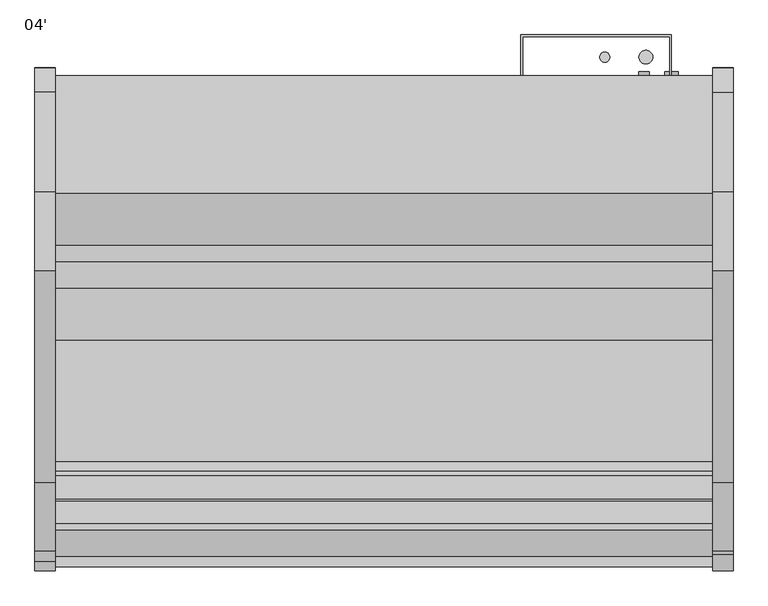
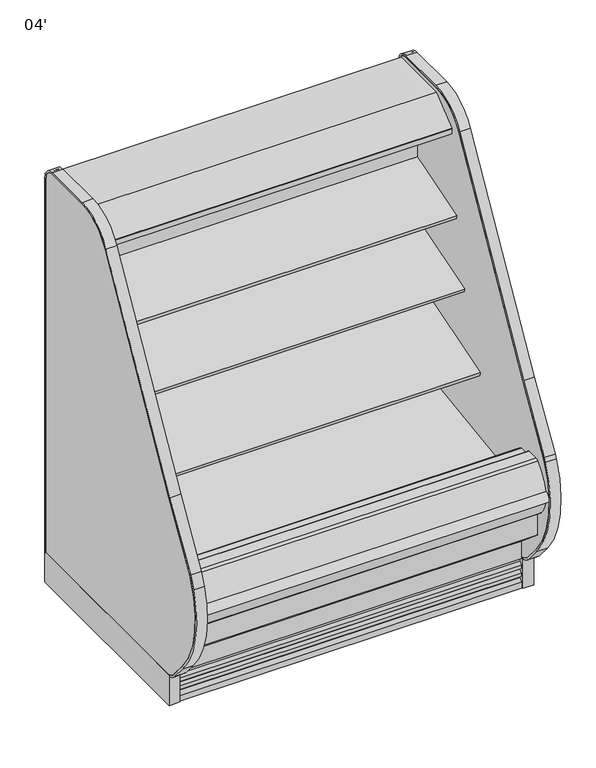
"""IFC4 building model written with IfcOpenShell, lengths in millimetres: proxy geometry, 04'."""

from ifc_helpers import new_model, si_unit, point, frame, frame_2d, origin, origin_with_axes, place, context, project, spatial, polyline, circle_curve, trimmed, segment, composite_curve, outline, extrude, source, transform, mapped, element, save
from ifc_brep_helpers import plane_surface, cylinder_surface, revolved_surface, advanced_brep


def proxy_04_a1edc014(model_context):
    return source(origin(), model_context, "Body", "SolidModel", [
        extrude(outline(composite_curve([segment(polyline([(-514.5091341, 1461.7730838), (-504.8016201, 1464.7713787), (-504.5349155, 1463.9078752), (-503.4677443, 1463.9078752), (-503.4677443, 1370.1435435), (-528.7629585, 1366.5907473)]), True, "CONTINUOUS"), segment(trimmed(circle_curve(frame_2d((-528.9028414, 1368.1644225)), 1.57988), [point((-528.7629585, 1366.5907473))], [point((-530.4673461, 1367.9445457))], False, "CARTESIAN"), True, "CONTINUOUS"), segment(polyline([(-530.4673461, 1367.9445457), (-531.3521558, 1374.2402938), (-530.5673882, 1374.3505857), (-529.5729936, 1367.2751005), (-505.9922352, 1370.58916), (-520.0882739, 1470.887687), (-542.8488553, 1467.8653314)]), True, "CONTINUOUS"), segment(trimmed(circle_curve(frame_2d((-542.745207, 1467.084783)), 0.7874), [point((-542.8488553, 1467.8653314))], [point((-543.5257554, 1466.9811347))], True, "CARTESIAN"), True, "CONTINUOUS"), segment(polyline([(-543.5257554, 1466.9811347), (-542.5026464, 1459.2763646), (-543.2831951, 1459.1727184), (-544.3063038, 1466.8774865)]), True, "CONTINUOUS"), segment(trimmed(circle_curve(frame_2d((-542.745207, 1467.084783)), 1.5748), [point((-544.3063038, 1466.8774865))], [point((-542.9525036, 1468.6458798))], False, "CARTESIAN"), True, "CONTINUOUS"), segment(polyline([(-542.9525036, 1468.6458798), (-518.9880924, 1471.8280909)]), True, "CONTINUOUS"), segment(trimmed(circle_curve(frame_2d((-518.7807959, 1470.2669941)), 1.5748), [point((-518.9880924, 1471.8280909))], [point((-517.2761312, 1470.7317298))], False, "CARTESIAN"), True, "CONTINUOUS"), segment(polyline([(-517.2761312, 1470.7317298), (-514.5091341, 1461.7730838)]), True, "CONTINUOUS")], self_intersect=False)), frame((0.0, 0.0, 0.0), z_axis=(1.0, 0.0, 0.0), x_axis=(0.0, 1.0, 0.0)), (0.0, 0.0, 1.0), 1219.2),
        extrude(outline(polyline([(-401.4996571, 1543.05), (-401.4996571, 1496.6220648), (-452.2996571, 1496.6220648), (-452.2996571, 1463.9078752), (-504.5349155, 1463.9078752), (-506.6141646, 1470.6398143), (-511.4086108, 1469.1589857), (-535.4786509, 1497.8445425), (-642.2469687, 1497.8445425), (-643.0851687, 1497.0063425), (-643.0851687, 1485.8811425), (-643.6432583, 1484.7023324), (-688.2811012, 1448.1263324), (-689.2470116, 1447.7811425), (-700.7436347, 1447.7811425), (-700.7436347, 1445.8493669), (-715.857653, 1445.8493669), (-715.857653, 1464.1183169), (-715.2644915, 1465.3619059), (-619.327685, 1543.05), (-401.4996571, 1543.05)])), frame((0.0, 0.0, 0.0), z_axis=(1.0, 0.0, 0.0), x_axis=(0.0, 1.0, 0.0)), (0.0, 0.0, 1.0), 1219.2),
        extrude(outline(composite_curve([segment(polyline([(-505.9922352, 1370.58916), (-529.5729936, 1367.2751005), (-530.5673882, 1374.3505857), (-542.4978224, 1459.2400359), (-543.5257554, 1466.9811347)]), True, "CONTINUOUS"), segment(trimmed(circle_curve(frame_2d((-542.745207, 1467.084783)), 0.7874), [point((-543.5257554, 1466.9811347))], [point((-542.8488553, 1467.8653314))], False, "CARTESIAN"), True, "CONTINUOUS"), segment(polyline([(-542.8488553, 1467.8653314), (-520.0882739, 1470.887687), (-505.9922352, 1370.58916)]), True, "CONTINUOUS")], self_intersect=False)), frame((0.0, 0.0, 0.0), z_axis=(1.0, 0.0, 0.0), x_axis=(0.0, 1.0, 0.0)), (0.0, 0.0, 1.0), 1219.2),
        extrude(outline(composite_curve([segment(trimmed(circle_curve(frame_2d((-586.8222651, 1471.8018376)), 14.2875), [point((-601.1097651, 1471.8018376))], [point((-572.5347651, 1471.8018376))], False, "CARTESIAN"), True, "CONTINUOUS"), segment(trimmed(circle_curve(frame_2d((-586.8222651, 1471.8018376)), 14.2875), [point((-572.5347651, 1471.8018376))], [point((-601.1097651, 1471.8018376))], False, "CARTESIAN"), True, "CONTINUOUS")], self_intersect=False)), frame((0.0, 0.0, 0.0), z_axis=(1.0, 0.0, 0.0), x_axis=(0.0, 1.0, 0.0)), (0.0, 0.0, 1.0), 1219.2),
        extrude(outline(composite_curve([segment(trimmed(circle_curve(frame_2d((-624.2110651, 1471.8018376)), 14.2875), [point((-638.4985651, 1471.8018376))], [point((-609.9235651, 1471.8018376))], False, "CARTESIAN"), True, "CONTINUOUS"), segment(trimmed(circle_curve(frame_2d((-624.2110651, 1471.8018376)), 14.2875), [point((-609.9235651, 1471.8018376))], [point((-638.4985651, 1471.8018376))], False, "CARTESIAN"), True, "CONTINUOUS")], self_intersect=False)), frame((0.0, 0.0, 0.0), z_axis=(1.0, 0.0, 0.0), x_axis=(0.0, 1.0, 0.0)), (0.0, 0.0, 1.0), 1219.2),
        extrude(outline(polyline([(1257.3, -385.6339273), (1257.3, -1152.4160029), (1219.2, -1152.4160029), (1219.2, -385.6339273), (1257.3, -385.6339273)])), origin_with_axes(), (0.0, 0.0, 1.0), 114.3),
        extrude(outline(composite_curve([segment(polyline([(-1152.4160029, 116.5798969), (-1152.4160029, 109.595887)]), True, "CONTINUOUS"), segment(trimmed(circle_curve(frame_2d((-1137.6967441, 171.4363524)), 63.5680717), [point((-1152.4160029, 109.595887))], [point((-1186.495575, 130.6984851))], False, "CARTESIAN"), True, "CONTINUOUS"), segment(polyline([(-1186.495575, 130.6984851), (-1238.6113068, 192.4078615)]), True, "CONTINUOUS"), segment(trimmed(circle_curve(frame_2d((-971.0702851, 416.9014342)), 349.25), [point((-1238.6113068, 192.4078615))], [point((-1290.6630685, 557.7418237))], False, "CARTESIAN"), True, "CONTINUOUS"), segment(trimmed(circle_curve(frame_2d((-1181.0473048, 509.9026614)), 119.6001718), [point((-1290.6630685, 557.7418237))], [point((-1283.5646612, 571.5013037))], False, "CARTESIAN"), True, "CONTINUOUS"), segment(polyline([(-1283.5646612, 571.5013037), (-1156.015482, 783.7787857), (-762.9420906, 1480.8530893)]), True, "CONTINUOUS"), segment(trimmed(circle_curve(frame_2d((-615.9139315, 1397.9453465)), 168.7926935), [point((-762.9420906, 1480.8530893))], [point((-615.9139315, 1566.73804))], False, "CARTESIAN"), True, "CONTINUOUS"), segment(polyline([(-615.9139315, 1566.73804), (-431.2380096, 1566.7610104)]), True, "CONTINUOUS"), segment(trimmed(circle_curve(frame_2d((-431.2324808, 1522.3110107)), 44.45), [point((-431.2380096, 1566.7610104))], [point((-386.7824808, 1522.3110107))], False, "CARTESIAN"), True, "CONTINUOUS"), segment(polyline([(-386.7824808, 1522.3110107), (-386.7824808, 114.3229711), (-393.1324808, 114.3229711), (-393.1324808, 1522.3110108)]), True, "CONTINUOUS"), segment(trimmed(circle_curve(frame_2d((-431.2324808, 1522.3110108)), 38.1), [point((-393.1324808, 1522.3110108))], [point((-431.2373794, 1560.4110104))], True, "CARTESIAN"), True, "CONTINUOUS"), segment(polyline([(-431.2373794, 1560.4110104), (-616.4365773, 1560.3871992)]), True, "CONTINUOUS"), segment(trimmed(circle_curve(frame_2d((-615.9139315, 1397.9453465)), 162.4426935), [point((-616.4365773, 1560.3871992))], [point((-757.4108748, 1477.7340908))], True, "CARTESIAN"), True, "CONTINUOUS"), segment(polyline([(-757.4108748, 1477.7340908), (-1150.5273223, 780.5834317), (-1281.3767651, 562.8133887)]), True, "CONTINUOUS"), segment(trimmed(circle_curve(frame_2d((-971.0702851, 416.9014342)), 342.9), [point((-1281.3767651, 562.8133887))], [point((-1233.7469246, 196.4895629))], True, "CARTESIAN"), True, "CONTINUOUS"), segment(polyline([(-1233.7469246, 196.4895629), (-1181.4257503, 135.1646002)]), True, "CONTINUOUS"), segment(trimmed(circle_curve(frame_2d((-1137.4891348, 171.8136543)), 57.2152021), [point((-1181.4257503, 135.1646002))], [point((-1152.4160029, 116.5798969))], True, "CARTESIAN"), True, "CONTINUOUS")], self_intersect=False)), frame((1219.2, 0.0, 0.0), z_axis=(1.0, 0.0, 0.0), x_axis=(0.0, 1.0, 0.0)), (0.0, 0.0, 1.0), 38.1),
        extrude(outline(composite_curve([segment(trimmed(circle_curve(frame_2d((-1137.0029315, 171.45)), 57.15), [point((-1152.4160029, 116.4176483))], [point((-1180.7823715, 134.7146881))], False, "CARTESIAN"), True, "CONTINUOUS"), segment(polyline([(-1180.7823715, 134.7146881), (-1233.7512633, 196.4665918)]), True, "CONTINUOUS"), segment(trimmed(circle_curve(frame_2d((-971.0746237, 416.8784632)), 342.9), [point((-1233.7512633, 196.4665918))], [point((-1281.3469933, 562.8629373))], False, "CARTESIAN"), True, "CONTINUOUS"), segment(polyline([(-1281.3469933, 562.8629373), (-1150.5273223, 780.5834317), (-757.4108748, 1477.7340908)]), True, "CONTINUOUS"), segment(trimmed(circle_curve(frame_2d((-615.9139315, 1397.9453465)), 162.4426935), [point((-757.4108748, 1477.7340908))], [point((-615.9139315, 1560.38804))], False, "CARTESIAN"), True, "CONTINUOUS"), segment(polyline([(-615.9139315, 1560.38804), (-430.0839273, 1560.38804)]), True, "CONTINUOUS"), segment(trimmed(circle_curve(frame_2d((-430.0839273, 1522.28804)), 38.1), [point((-430.0839273, 1560.38804))], [point((-391.9839273, 1522.28804))], False, "CARTESIAN"), True, "CONTINUOUS"), segment(polyline([(-391.9839273, 1522.28804), (-391.9839273, 114.3), (-1152.4160029, 114.3), (-1152.4160029, 116.4176483)]), True, "CONTINUOUS")], self_intersect=False)), frame((1219.2, 0.0, 0.0), z_axis=(1.0, 0.0, 0.0), x_axis=(0.0, 1.0, 0.0)), (0.0, 0.0, 1.0), 38.1),
        extrude(outline(composite_curve([segment(polyline([(-503.4770145, 920.8287489), (-520.8520366, 915.1919252)]), True, "CONTINUOUS"), segment(trimmed(circle_curve(frame_2d((-528.6901714, 939.3522986)), 25.4), [point((-520.8520366, 915.1919252))], [point((-538.1963728, 915.7982727))], False, "CARTESIAN"), True, "CONTINUOUS"), segment(polyline([(-538.1963728, 915.7982727), (-559.4917706, 924.3929113)]), True, "CONTINUOUS"), segment(trimmed(circle_curve(frame_2d((-583.257274, 865.5078465)), 63.5), [point((-559.4917706, 924.3929113))], [point((-594.1259367, 928.0707922))], True, "CARTESIAN"), True, "CONTINUOUS"), segment(polyline([(-594.1259367, 928.0707922), (-731.8940366, 910.7307584), (-734.3236807, 913.5856986), (-790.800009, 896.3191523), (-794.9587042, 909.9216311), (-503.4770145, 999.0365267), (-503.4770145, 920.8287489)]), True, "CONTINUOUS")], self_intersect=False)), frame((0.0, 0.0, 0.0), z_axis=(1.0, 0.0, 0.0), x_axis=(0.0, 1.0, 0.0)), (0.0, 0.0, 1.0), 1219.2),
        extrude(outline(composite_curve([segment(trimmed(circle_curve(frame_2d((-1293.046896, 431.6467295)), 19.6948721), [point((-1294.5628329, 412.0102858))], [point((-1294.1478613, 451.310805))], False, "CARTESIAN"), True, "CONTINUOUS"), segment(trimmed(circle_curve(frame_2d((-1122.0488977, 406.9971865)), 177.712549), [point((-1294.1478613, 451.310805))], [point((-1294.961171, 448.0227374))], True, "CARTESIAN"), True, "CONTINUOUS"), segment(trimmed(circle_curve(frame_2d((-1207.0580757, 430.9866152)), 89.5387269), [point((-1294.961171, 448.0227374))], [point((-1294.5628329, 412.0102858))], True, "CARTESIAN"), True, "CONTINUOUS")], self_intersect=False)), frame((0.0, 0.0, 0.0), z_axis=(1.0, 0.0, 0.0), x_axis=(0.0, 1.0, 0.0)), (0.0, 0.0, 1.0), 1219.2),
        extrude(outline(composite_curve([segment(trimmed(circle_curve(frame_2d((1084.8362287, -1007.9339273)), 12.7), [point((1072.1362287, -1007.9339273))], [point((1097.5362287, -1007.9339273))], False, "CARTESIAN"), True, "CONTINUOUS"), segment(trimmed(circle_curve(frame_2d((1084.8362287, -1007.9339273)), 12.7), [point((1097.5362287, -1007.9339273))], [point((1072.1362287, -1007.9339273))], False, "CARTESIAN"), True, "CONTINUOUS")], self_intersect=False)), frame((0.0, 0.0, 68.5310382), z_axis=(0.0, 0.0, 1.0), x_axis=(1.0, 0.0, 0.0)), (0.0, 0.0, 1.0), 52.7807458),
        extrude(outline(composite_curve([segment(trimmed(circle_curve(frame_2d((1034.63831, -1007.9339273)), 9.525), [point((1025.11331, -1007.9339273))], [point((1044.16331, -1007.9339273))], False, "CARTESIAN"), True, "CONTINUOUS"), segment(trimmed(circle_curve(frame_2d((1034.63831, -1007.9339273)), 9.525), [point((1044.16331, -1007.9339273))], [point((1025.11331, -1007.9339273))], False, "CARTESIAN"), True, "CONTINUOUS")], self_intersect=False)), frame((0.0, 0.0, 68.5310382), z_axis=(0.0, 0.0, 1.0), x_axis=(1.0, 0.0, 0.0)), (0.0, 0.0, 1.0), 52.7807458),
        extrude(outline(polyline([(0.0, -385.6339273), (0.0, -1152.4160029), (-38.1, -1152.4160029), (-38.1, -385.6339273), (0.0, -385.6339273)])), origin_with_axes(), (0.0, 0.0, 1.0), 114.3),
        extrude(outline(composite_curve([segment(polyline([(-1152.4160029, 116.5386609), (-1152.4160029, 109.5719159)]), True, "CONTINUOUS"), segment(trimmed(circle_curve(frame_2d((-1137.6993705, 171.4132571)), 63.5683156), [point((-1152.4160029, 109.5719159))], [point((-1186.4987719, 130.6756925))], False, "CARTESIAN"), True, "CONTINUOUS"), segment(polyline([(-1186.4987719, 130.6756925), (-1231.7344679, 184.4584385)]), True, "CONTINUOUS"), segment(trimmed(circle_curve(frame_2d((-971.0702851, 416.9014342)), 349.25), [point((-1231.7344679, 184.4584385))], [point((-1302.5796605, 526.7972782))], False, "CARTESIAN"), True, "CONTINUOUS"), segment(trimmed(circle_curve(frame_2d((-1021.326846, 433.5615578)), 296.3039744), [point((-1302.5796605, 526.7972782))], [point((-1283.5646612, 571.5013037))], False, "CARTESIAN"), True, "CONTINUOUS"), segment(polyline([(-1283.5646612, 571.5013037), (-1156.015482, 783.7787857), (-762.9420906, 1480.8530893)]), True, "CONTINUOUS"), segment(trimmed(circle_curve(frame_2d((-615.9139315, 1397.9453465)), 168.7926935), [point((-762.9420906, 1480.8530893))], [point((-615.9139315, 1566.73804))], False, "CARTESIAN"), True, "CONTINUOUS"), segment(polyline([(-615.9139315, 1566.73804), (-431.1541381, 1566.3062631)]), True, "CONTINUOUS"), segment(trimmed(circle_curve(frame_2d((-431.1541381, 1522.1043075)), 44.2019557), [point((-431.1541381, 1566.3062631))], [point((-386.9521824, 1522.1043075))], False, "CARTESIAN"), True, "CONTINUOUS"), segment(polyline([(-386.9521824, 1522.1043075), (-386.9521824, 114.3), (-393.1368195, 114.3), (-393.1368195, 1522.28804)]), True, "CONTINUOUS"), segment(trimmed(circle_curve(frame_2d((-431.2368195, 1522.28804)), 38.1), [point((-393.1368195, 1522.28804))], [point((-431.2368195, 1560.38804))], True, "CARTESIAN"), True, "CONTINUOUS"), segment(polyline([(-431.2368195, 1560.38804), (-615.9139315, 1560.38804)]), True, "CONTINUOUS"), segment(trimmed(circle_curve(frame_2d((-615.9139315, 1397.9453465)), 162.4426935), [point((-615.9139315, 1560.38804))], [point((-757.4108748, 1477.7340908))], True, "CARTESIAN"), True, "CONTINUOUS"), segment(polyline([(-757.4108748, 1477.7340908), (-1150.5273223, 780.5834317), (-1281.3469933, 562.8629373)]), True, "CONTINUOUS"), segment(trimmed(circle_curve(frame_2d((-971.0746237, 416.8784632)), 342.9), [point((-1281.3469933, 562.8629373))], [point((-1233.7512633, 196.4665918))], True, "CARTESIAN"), True, "CONTINUOUS"), segment(polyline([(-1233.7512633, 196.4665918), (-1181.2448323, 135.0745651)]), True, "CONTINUOUS"), segment(trimmed(circle_curve(frame_2d((-1137.3076402, 171.7232892)), 57.2154334), [point((-1181.2448323, 135.0745651))], [point((-1152.4160029, 116.5386609))], True, "CARTESIAN"), True, "CONTINUOUS")], self_intersect=False)), frame((-38.1, 0.0, 0.0), z_axis=(1.0, 0.0, 0.0), x_axis=(0.0, 1.0, 0.0)), (0.0, 0.0, 1.0), 38.1),
        extrude(outline(composite_curve([segment(trimmed(circle_curve(frame_2d((-1137.2511707, 171.7304997)), 57.2147041), [point((-1152.4160029, 116.562119))], [point((-1181.1891263, 135.0838297))], False, "CARTESIAN"), True, "CONTINUOUS"), segment(polyline([(-1181.1891263, 135.0838297), (-1233.4618414, 196.9898389)]), True, "CONTINUOUS"), segment(trimmed(circle_curve(frame_2d((-972.7472142, 417.1342414)), 341.2267205), [point((-1233.4618414, 196.9898389))], [point((-1282.8750242, 559.4592788))], False, "CARTESIAN"), True, "CONTINUOUS"), segment(trimmed(circle_curve(frame_2d((-1158.7397111, 498.0860076)), 138.4783535), [point((-1282.8750242, 559.4592788))], [point((-1277.4328013, 569.4176605))], False, "CARTESIAN"), True, "CONTINUOUS"), segment(polyline([(-1277.4328013, 569.4176605), (-1150.5273223, 780.5834317), (-757.4108748, 1477.7340908)]), True, "CONTINUOUS"), segment(trimmed(circle_curve(frame_2d((-615.9139315, 1397.9453465)), 162.4426935), [point((-757.4108748, 1477.7340908))], [point((-615.9139315, 1560.38804))], False, "CARTESIAN"), True, "CONTINUOUS"), segment(polyline([(-615.9139315, 1560.38804), (-431.2178632, 1560.2961463)]), True, "CONTINUOUS"), segment(trimmed(circle_curve(frame_2d((-431.2368195, 1522.196151)), 38.1), [point((-431.2178632, 1560.2961463))], [point((-393.1368195, 1522.196151))], False, "CARTESIAN"), True, "CONTINUOUS"), segment(polyline([(-393.1368195, 1522.196151), (-393.1368195, 114.2081157), (-1152.4160029, 114.2081157), (-1152.4160029, 116.562119)]), True, "CONTINUOUS")], self_intersect=False)), frame((-38.1, 0.0, 0.0), z_axis=(1.0, 0.0, 0.0), x_axis=(0.0, 1.0, 0.0)), (0.0, 0.0, 1.0), 38.1),
        extrude(outline(polyline([(1139.825, -401.5089273), (1139.825, -328.4839273), (866.775, -328.4839273), (866.775, -401.5089273), (863.6, -401.5089273), (863.6, -325.3089273), (1143.0, -325.3089273), (1143.0, -401.5089273), (1139.825, -401.5089273)])), frame((0.0, 0.0, 522.6122796), z_axis=(0.0, 0.0, 1.0), x_axis=(1.0, 0.0, 0.0)), (0.0, 0.0, 1.0), 828.7215991),
        advanced_brep(
        [(0.0, -401.5089273, 1496.6220648), (0.0, -401.5089273, 130.175), (0.0, -1092.9329421, 130.175), (0.0, -1242.6779256, 255.8259604), (0.0, -1242.6779256, 390.4771975), (0.0, -1191.6695874, 390.4771975), (0.0, -1191.6695874, 280.6965658), (0.0, -1081.6882807, 188.4112919), (0.0, -1075.5167374, 188.6268069), (0.0, -1036.8125365, 160.6272219), (0.0, -1035.5745571, 160.670453), (0.0, -1022.2030531, 151.6562137), (0.0, -961.9148015, 153.7615258), (0.0, -949.2046713, 163.6865559), (0.0, -947.966692, 163.7297871), (0.0, -911.2586215, 194.4039054), (0.0, -452.3089273, 210.4307819), (0.0, -452.3089273, 1496.6220648), (1219.2, -401.5089273, 1496.6220648), (1219.2, -452.3089273, 1496.6220648), (1219.2, -452.3089273, 210.4307819), (1219.2, -911.2586215, 194.4039054), (1219.2, -947.966692, 163.7297871), (1219.2, -949.2046713, 163.6865559), (1219.2, -961.9148015, 153.7615258), (1219.2, -1022.2030531, 151.6562137), (1219.2, -1035.5745571, 160.670453), (1219.2, -1036.8125365, 160.6272219), (1219.2, -1075.5167374, 188.6268069), (1219.2, -1081.6882807, 188.4112919), (1219.2, -1191.6695874, 280.6965658), (1219.2, -1191.6695874, 390.4771975), (1219.2, -1242.6779256, 390.4771975), (1219.2, -1242.6779256, 255.8259604), (1219.2, -1092.9329421, 130.175), (1219.2, -401.5089273, 130.175), (1117.6, -401.5089273, 368.3), (1117.6, -401.5089273, 266.7), (1117.6, -446.7209273, 266.7), (1117.6, -446.7209273, 368.3)],
        [
            (0, 1),
            (1, 2),
            (2, 3),
            (3, 4),
            (4, 5),
            (5, 6),
            (6, 7),
            (7, 8),
            (8, 9),
            (9, 10),
            (10, 11),
            (11, 12),
            (12, 13),
            (13, 14),
            (14, 15),
            (15, 16),
            (16, 17),
            (17, 0),
            (18, 19),
            (19, 20),
            (20, 21),
            (21, 22),
            (22, 23),
            (23, 24),
            (24, 25),
            (25, 26),
            (26, 27),
            (27, 28),
            (28, 29),
            (29, 30),
            (30, 31),
            (31, 32),
            (32, 33),
            (33, 34),
            (34, 35),
            (35, 18),
            (17, 19),
            (18, 0),
            (16, 20),
            (1, 35),
            (34, 2),
            (36, 37, circle_curve(frame((1117.6, -401.5089273, 317.5), z_axis=(0.0, -1.0, 0.0), x_axis=(0.0, 0.0, 1.0)), 50.8)),
            (37, 36, circle_curve(frame((1117.6, -401.5089273, 317.5), z_axis=(0.0, -1.0, 0.0), x_axis=(0.0, 0.0, 1.0)), 50.8)),
            (38, 39, circle_curve(frame((1117.6, -446.7209273, 317.5), z_axis=(0.0, 1.0, 0.0), x_axis=(0.0, 0.0, 1.0)), 50.8)),
            (39, 38, circle_curve(frame((1117.6, -446.7209273, 317.5), z_axis=(0.0, 1.0, 0.0), x_axis=(0.0, 0.0, 1.0)), 50.8)),
            (38, 37),
            (36, 39),
            (15, 21),
            (14, 22),
            (13, 23),
            (12, 24),
            (11, 25),
            (10, 26),
            (9, 27),
            (8, 28),
            (7, 29),
            (6, 30),
            (5, 31),
            (4, 32),
            (3, 33),
        ],
        [
            plane_surface(frame((0.0, -452.3089273, 1496.6220648), z_axis=(-1.0, 0.0, 0.0), x_axis=(0.0, 1.0, 0.0))),
            plane_surface(frame((1219.2, -452.3089273, 1496.6220648), z_axis=(1.0, 0.0, 0.0), x_axis=(0.0, -1.0, 0.0))),
            plane_surface(frame((1219.2, -401.5089273, 1496.6220648), z_axis=(0.0, 0.0, 1.0), x_axis=(-1.0, 0.0, 0.0))),
            plane_surface(frame((1219.2, -452.3089273, 1496.6220648), z_axis=(0.0, -1.0, 0.0), x_axis=(-1.0, 0.0, 0.0))),
            plane_surface(frame((1219.2, -1092.9329421, 130.175), z_axis=(0.0, 0.0, -1.0), x_axis=(-1.0, 0.0, 0.0))),
            plane_surface(frame((1219.2, -401.5089273, 130.175), z_axis=(0.0, 1.0, 0.0), x_axis=(-1.0, 0.0, 0.0))),
            plane_surface(frame((1117.6, -446.7209273, 368.3), z_axis=(0.0, 1.0, 0.0), x_axis=(-1.0, 0.0, 0.0))),
            revolved_surface(polyline([(1117.6, -401.5089273, 368.3), (1117.6, -446.7209273, 368.3)]), (1117.6, -446.7209273, 317.5), (0.0, 1.0, 0.0)),
            plane_surface(frame((1219.2, -452.3089273, 210.4307819), z_axis=(0.0, -0.034899496702464096, 0.9993908270190971), x_axis=(-1.0, 0.0, 0.0))),
            plane_surface(frame((1219.2, -911.2586215, 194.4039054), z_axis=(0.0, -0.6412208566386186, 0.7673563794037528), x_axis=(-1.0, 0.0, 0.0))),
            plane_surface(frame((1219.2, -947.966692, 163.7297871), z_axis=(0.0, -0.03489949670032392, 0.9993908270191718), x_axis=(-1.0, 0.0, 0.0))),
            plane_surface(frame((1219.2, -949.2046713, 163.6865559), z_axis=(0.0, -0.6154607629252682, 0.7881675261639793), x_axis=(-1.0, 0.0, 0.0))),
            plane_surface(frame((1219.2, -961.9148015, 153.7615258), z_axis=(0.0, -0.03489949670245096, 0.9993908270190975), x_axis=(-1.0, 0.0, 0.0))),
            plane_surface(frame((1219.2, -1022.2030531, 151.6562137), z_axis=(0.0, 0.5589817440968015, 0.8291799622316606), x_axis=(-1.0, 0.0, 0.0))),
            plane_surface(frame((1219.2, -1035.5745571, 160.670453), z_axis=(0.0, -0.03489949670146529, 0.999390827019132), x_axis=(-1.0, 0.0, 0.0))),
            plane_surface(frame((1219.2, -1036.8125365, 160.6272219), z_axis=(0.0, 0.5861307997256017, 0.810216443682197), x_axis=(-1.0, 0.0, 0.0))),
            plane_surface(frame((1219.2, -1075.5167374, 188.6268069), z_axis=(0.0, -0.034899496703538944, 0.9993908270190596), x_axis=(-1.0, 0.0, 0.0))),
            plane_surface(frame((1219.2, -1081.6882807, 188.4112919), z_axis=(0.0, 0.6427876096870883, 0.7660444431185175), x_axis=(-1.0, 0.0, 0.0))),
            plane_surface(frame((1219.2, -1191.6695874, 280.6965658), z_axis=(0.0, 1.0, 0.0), x_axis=(-1.0, 0.0, 0.0))),
            plane_surface(frame((1219.2, -1191.6695874, 390.4771975), z_axis=(0.0, 0.0, 1.0), x_axis=(-1.0, 0.0, 0.0))),
            plane_surface(frame((1219.2, -1242.6779256, 390.4771975), z_axis=(0.0, -1.0, 0.0), x_axis=(-1.0, 0.0, 0.0))),
            plane_surface(frame((1219.2, -1242.6779256, 255.8259604), z_axis=(0.0, -0.6427876096870784, -0.7660444431185257), x_axis=(-1.0, 0.0, 0.0))),
        ],
        [
            (0, [[1, 2, 3, 4, 5, 6, 7, 8, 9, 10, 11, 12, 13, 14, 15, 16, 17, 18]]),
            (1, [[19, 20, 21, 22, 23, 24, 25, 26, 27, 28, 29, 30, 31, 32, 33, 34, 35, 36]]),
            (2, [[-18, 37, -19, 38]]),
            (3, [[-17, 39, -20, -37]]),
            (4, [[-2, 40, -35, 41]]),
            (5, [[-1, -38, -36, -40], [42, 43]]),
            (6, [[44, 45]]),
            (7, [[-44, 46, -42, 47]]),
            (7, [[-45, -47, -43, -46]]),
            (8, [[-16, 48, -21, -39]]),
            (9, [[-15, 49, -22, -48]]),
            (10, [[-14, 50, -23, -49]]),
            (11, [[-13, 51, -24, -50]]),
            (12, [[-12, 52, -25, -51]]),
            (13, [[-11, 53, -26, -52]]),
            (14, [[-10, 54, -27, -53]]),
            (15, [[-9, 55, -28, -54]]),
            (16, [[-8, 56, -29, -55]]),
            (17, [[-7, 57, -30, -56]]),
            (18, [[-6, 58, -31, -57]]),
            (19, [[-5, 59, -32, -58]]),
            (20, [[-4, 60, -33, -59]]),
            (21, [[-3, -41, -34, -60]]),
        ],
    ),
        extrude(outline(composite_curve([segment(polyline([(-503.4770145, 1229.6443045), (-503.4770145, 1151.1243135), (-520.8520366, 1145.4874898)]), True, "CONTINUOUS"), segment(trimmed(circle_curve(frame_2d((-528.6901714, 1169.6478632)), 25.4), [point((-520.8520366, 1145.4874898))], [point((-538.1963728, 1146.0938373))], False, "CARTESIAN"), True, "CONTINUOUS"), segment(polyline([(-538.1963728, 1146.0938373), (-559.4917706, 1154.6884758)]), True, "CONTINUOUS"), segment(trimmed(circle_curve(frame_2d((-583.257274, 1095.8034111)), 63.5), [point((-559.4917706, 1154.6884758))], [point((-594.1259367, 1158.3663568))], True, "CARTESIAN"), True, "CONTINUOUS"), segment(polyline([(-594.1259367, 1158.3663568), (-683.313755, 1155.8788055), (-685.7433991, 1158.7337458), (-742.2197274, 1141.4671994), (-746.4657163, 1155.3552031), (-503.4770145, 1229.6443045)]), True, "CONTINUOUS")], self_intersect=False)), frame((0.0, 0.0, 0.0), z_axis=(1.0, 0.0, 0.0), x_axis=(0.0, 1.0, 0.0)), (0.0, 0.0, 1.0), 1219.2),
        extrude(outline(composite_curve([segment(polyline([(-503.4770145, 694.2615222), (-521.9044919, 688.2832597)]), True, "CONTINUOUS"), segment(trimmed(circle_curve(frame_2d((-528.6901714, 712.7600764)), 25.4), [point((-521.9044919, 688.2832597))], [point((-538.1963728, 689.2060505))], False, "CARTESIAN"), True, "CONTINUOUS"), segment(polyline([(-538.1963728, 689.2060505), (-559.4917706, 697.8006891)]), True, "CONTINUOUS"), segment(trimmed(circle_curve(frame_2d((-583.257274, 638.9156243)), 63.5), [point((-559.4917706, 697.8006891))], [point((-594.1259367, 701.47857))], True, "CARTESIAN"), True, "CONTINUOUS"), segment(polyline([(-594.1259367, 701.47857), (-829.0545998, 654.433571), (-831.4842439, 657.2885112), (-887.9605722, 640.0219649), (-892.1192674, 653.6244437), (-503.4770145, 772.4443045), (-503.4770145, 694.2615222)]), True, "CONTINUOUS")], self_intersect=False)), frame((0.0, 0.0, 0.0), z_axis=(1.0, 0.0, 0.0), x_axis=(0.0, 1.0, 0.0)), (0.0, 0.0, 1.0), 1219.2),
        extrude(outline(composite_curve([segment(polyline([(-1232.9683917, 539.75), (-1190.5503917, 539.75)]), True, "CONTINUOUS"), segment(trimmed(circle_curve(frame_2d((-1190.5503917, 536.575)), 3.175), [point((-1190.5503917, 539.75))], [point((-1187.3753917, 536.575))], False, "CARTESIAN"), True, "CONTINUOUS"), segment(polyline([(-1187.3753917, 536.575), (-1187.3753917, 522.6122796), (-1191.6695874, 522.6122796), (-1191.6695874, 390.4771975), (-1242.6779256, 390.4771975), (-1242.6779256, 349.7062579), (-1260.1512454, 349.7062579)]), True, "CONTINUOUS"), segment(trimmed(circle_curve(frame_2d((-1260.1512454, 355.8622108)), 6.1559529), [point((-1260.1512454, 349.7062579))], [point((-1264.7308437, 351.7484491))], False, "CARTESIAN"), True, "CONTINUOUS"), segment(trimmed(circle_curve(frame_2d((-1169.5637477, 436.1498983)), 127.2021258), [point((-1264.7308437, 351.7484491))], [point((-1296.5567312, 443.441191))], False, "CARTESIAN"), True, "CONTINUOUS"), segment(trimmed(circle_curve(frame_2d((-1122.94688, 405.0685499)), 177.8), [point((-1296.5567312, 443.441191))], [point((-1243.7548144, 535.5226912))], False, "CARTESIAN"), True, "CONTINUOUS"), segment(trimmed(circle_curve(frame_2d((-1232.9683917, 523.875)), 15.875), [point((-1243.7548144, 535.5226912))], [point((-1232.9683917, 539.75))], False, "CARTESIAN"), True, "CONTINUOUS")], self_intersect=False)), frame((0.0, 0.0, 0.0), z_axis=(1.0, 0.0, 0.0), x_axis=(0.0, 1.0, 0.0)), (0.0, 0.0, 1.0), 1219.2),
        extrude(outline(composite_curve([segment(polyline([(-1117.0624519, 150.4220627), (-1117.0624519, 0.0), (-1148.0584493, 0.0), (-1148.0584493, 21.591952)]), True, "CONTINUOUS"), segment(trimmed(circle_curve(frame_2d((-1147.5226258, 35.2873287)), 13.7058546), [point((-1148.0584493, 21.591952))], [point((-1134.4406464, 31.1992648))], True, "CARTESIAN"), True, "CONTINUOUS"), segment(polyline([(-1134.4406464, 31.1992648), (-1131.6258599, 40.2067021), (-1143.5826446, 40.2067021), (-1143.5826446, 52.9067021)]), True, "CONTINUOUS"), segment(trimmed(circle_curve(frame_2d((-1148.0005124, 66.4088493)), 14.2065314), [point((-1143.5826446, 52.9067021))], [point((-1134.4406464, 62.1714479))], True, "CARTESIAN"), True, "CONTINUOUS"), segment(polyline([(-1134.4406464, 62.1714479), (-1131.6258599, 71.1788852), (-1143.5826446, 71.1788852), (-1143.5826446, 83.8788852)]), True, "CONTINUOUS"), segment(trimmed(circle_curve(frame_2d((-1148.0728877, 97.4524489)), 14.2969897), [point((-1143.5826446, 83.8788852))], [point((-1134.4406464, 93.143631))], True, "CARTESIAN"), True, "CONTINUOUS"), segment(polyline([(-1134.4406464, 93.143631), (-1130.9515493, 104.1824391), (-1130.9515493, 107.8329403), (-1143.8191893, 107.8329403), (-1143.8191893, 172.8736313), (-1117.0624519, 150.4220627)]), True, "CONTINUOUS")], self_intersect=False)), frame((0.0, 0.0, 0.0), z_axis=(1.0, 0.0, 0.0), x_axis=(0.0, 1.0, 0.0)), (0.0, 0.0, 1.0), 1219.2),
        extrude(outline(composite_curve([segment(trimmed(circle_curve(frame_2d((1019.175, -366.5839273)), 9.525), [point((1009.65, -366.5839273))], [point((1028.7, -366.5839273))], False, "CARTESIAN"), True, "CONTINUOUS"), segment(trimmed(circle_curve(frame_2d((1019.175, -366.5839273)), 9.525), [point((1028.7, -366.5839273))], [point((1009.65, -366.5839273))], False, "CARTESIAN"), True, "CONTINUOUS")], self_intersect=False)), frame((0.0, 0.0, 1070.4944621), z_axis=(0.0, 0.0, 1.0), x_axis=(1.0, 0.0, 0.0)), (0.0, 0.0, 1.0), 291.1992178),
        extrude(outline(composite_curve([segment(trimmed(circle_curve(frame_2d((1095.375, -366.5839273)), 12.7), [point((1082.675, -366.5839273))], [point((1108.075, -366.5839273))], False, "CARTESIAN"), True, "CONTINUOUS"), segment(trimmed(circle_curve(frame_2d((1095.375, -366.5839273)), 12.7), [point((1108.075, -366.5839273))], [point((1082.675, -366.5839273))], False, "CARTESIAN"), True, "CONTINUOUS")], self_intersect=False)), frame((0.0, 0.0, 1070.4944621), z_axis=(0.0, 0.0, 1.0), x_axis=(1.0, 0.0, 0.0)), (0.0, 0.0, 1.0), 291.1992178),
        extrude(outline(composite_curve([segment(trimmed(circle_curve(frame_2d((317.5, 1143.0)), 12.7), [point((317.5, 1155.7))], [point((317.5, 1130.3))], False, "CARTESIAN"), True, "CONTINUOUS"), segment(trimmed(circle_curve(frame_2d((317.5, 1143.0)), 12.7), [point((317.5, 1130.3))], [point((317.5, 1155.7))], False, "CARTESIAN"), True, "CONTINUOUS")], self_intersect=False)), frame((0.0, -446.7209273, 0.0), z_axis=(0.0, 1.0, 0.0), x_axis=(0.0, 0.0, 1.0)), (0.0, 0.0, 1.0), 52.8518438),
        extrude(outline(composite_curve([segment(trimmed(circle_curve(frame_2d((317.5, 1092.2)), 9.525), [point((317.5, 1101.725))], [point((317.5, 1082.675))], False, "CARTESIAN"), True, "CONTINUOUS"), segment(trimmed(circle_curve(frame_2d((317.5, 1092.2)), 9.525), [point((317.5, 1082.675))], [point((317.5, 1101.725))], False, "CARTESIAN"), True, "CONTINUOUS")], self_intersect=False)), frame((0.0, -446.7209273, 0.0), z_axis=(0.0, 1.0, 0.0), x_axis=(0.0, 0.0, 1.0)), (0.0, 0.0, 1.0), 52.8518438),
        extrude(outline(composite_curve([segment(trimmed(circle_curve(frame_2d((609.6, -988.8839273)), 38.1), [point((571.5, -988.8839273))], [point((647.7, -988.8839273))], False, "CARTESIAN"), True, "CONTINUOUS"), segment(trimmed(circle_curve(frame_2d((609.6, -988.8839273)), 38.1), [point((647.7, -988.8839273))], [point((571.5, -988.8839273))], False, "CARTESIAN"), True, "CONTINUOUS")], self_intersect=False)), frame((0.0, 0.0, 68.5310382), z_axis=(0.0, 0.0, 1.0), x_axis=(1.0, 0.0, 0.0)), (0.0, 0.0, 1.0), 52.7807458),
        advanced_brep(
        [(0.0, -1018.0355073, 16.9113003), (0.0, -1117.0624519, 16.9113003), (0.0, -1117.0624519, 150.4220627), (0.0, -1092.9329421, 130.175), (0.0, -1018.0355073, 130.175), (1219.2, -1018.0355073, 16.9113003), (1219.2, -1018.0355073, 130.175), (1219.2, -1092.9329421, 130.175), (1219.2, -1117.0624519, 150.4220627), (1219.2, -1117.0624519, 16.9113003), (1113.4105208, -1018.0355073, 16.9113003), (1113.4105208, -1018.0355073, 121.311784), (1013.8394792, -1018.0355073, 121.311784), (1013.8394792, -1018.0355073, 16.9113003), (651.2031896, -1018.0355073, 16.9113003), (651.2031896, -1018.0355073, 121.311784), (567.9968104, -1018.0355073, 121.311784), (567.9968104, -1018.0355073, 16.9113003)],
        [
            (0, 1),
            (1, 2),
            (2, 3),
            (3, 4),
            (4, 0),
            (5, 6),
            (6, 7),
            (7, 8),
            (8, 9),
            (9, 5),
            (4, 6),
            (5, 10),
            (10, 11),
            (11, 12),
            (12, 13),
            (13, 14),
            (14, 15),
            (15, 16),
            (16, 17),
            (17, 0),
            (3, 7),
            (17, 14, circle_curve(frame((609.6, -988.8839273, 16.9113003), z_axis=(0.0, 0.0, 1.0), x_axis=(1.0, 0.0, 0.0)), 50.8)),
            (13, 10, circle_curve(frame((1063.625, -1007.9339273, 16.9113003), z_axis=(0.0, 0.0, 1.0), x_axis=(1.0, 0.0, 0.0)), 50.8)),
            (9, 1),
            (15, 16, circle_curve(frame((609.6, -988.8839273, 121.311784), z_axis=(0.0, 0.0, -1.0), x_axis=(1.0, 0.0, 0.0)), 50.8)),
            (8, 2),
            (11, 12, circle_curve(frame((1063.625, -1007.9339273, 121.311784), z_axis=(0.0, 0.0, -1.0), x_axis=(1.0, 0.0, 0.0)), 50.8)),
        ],
        [
            plane_surface(frame((0.0, -1018.0355073, 130.175), z_axis=(-1.0, 0.0, 0.0), x_axis=(0.0, 0.0, -1.0))),
            plane_surface(frame((1219.2, -1018.0355073, 130.175), z_axis=(1.0, 0.0, 0.0), x_axis=(0.0, 0.0, 1.0))),
            plane_surface(frame((1219.2, -1018.0355073, 16.9113003), z_axis=(0.0, 1.0, 0.0), x_axis=(-1.0, 0.0, 0.0))),
            plane_surface(frame((1219.2, -1018.0355073, 130.175), z_axis=(0.0, 0.0, 1.0), x_axis=(-1.0, 0.0, 0.0))),
            plane_surface(frame((1219.2, -1117.0624519, 16.9113003), z_axis=(0.0, 0.0, -1.0), x_axis=(-1.0, 0.0, 0.0))),
            plane_surface(frame((660.4, -988.8839273, 121.311784), z_axis=(0.0, 0.0, -1.0), x_axis=(0.0, 1.0, 0.0))),
            revolved_surface(polyline([(660.4, -988.8839273, 121.311784), (660.4, -988.8839273, 16.9113003)]), (609.6, -988.8839273, 0.0), (0.0, 0.0, 1.0)),
            plane_surface(frame((1219.2, -1117.0624519, 150.4220627), z_axis=(0.0, -1.0, 0.0), x_axis=(-1.0, 0.0, 0.0))),
            plane_surface(frame((1219.2, -1092.9329421, 130.175), z_axis=(0.0, 0.6427876096870792, 0.766044443118525), x_axis=(-1.0, 0.0, 0.0))),
            plane_surface(frame((1114.425, -1007.9339273, 121.311784), z_axis=(0.0, 0.0, -1.0), x_axis=(0.0, 1.0, 0.0))),
            revolved_surface(polyline([(1114.425, -1007.9339273, 121.311784), (1114.425, -1007.9339273, 16.9113003)]), (1063.625, -1007.9339273, 0.0), (0.0, 0.0, 1.0)),
        ],
        [
            (0, [[1, 2, 3, 4, 5]]),
            (1, [[6, 7, 8, 9, 10]]),
            (2, [[-5, 11, -6, 12, 13, 14, 15, 16, 17, 18, 19, 20]]),
            (3, [[-4, 21, -7, -11]]),
            (4, [[-1, -20, 22, -16, 23, -12, -10, 24]]),
            (5, [[25, -18]]),
            (6, [[-25, -17, -22, -19]]),
            (7, [[-2, -24, -9, 26]]),
            (8, [[-3, -26, -8, -21]]),
            (9, [[27, -14]]),
            (10, [[-27, -13, -23, -15]]),
        ],
    ),
        advanced_brep(
        [(0.0, -401.5089273, 130.175), (0.0, -401.5089273, 0.0), (0.0, -446.7209273, 0.0), (0.0, -446.7209273, 74.8810382), (0.0, -972.7046625, 74.8810382), (0.0, -972.7046625, 0.0), (0.0, -1018.0355073, 0.0), (0.0, -1018.0355073, 130.175), (1219.2, -401.5089273, 130.175), (1219.2, -1018.0355073, 130.175), (1219.2, -1018.0355073, 0.0), (1219.2, -972.7046625, 0.0), (1219.2, -972.7046625, 74.8810382), (1219.2, -446.7209273, 74.8810382), (1219.2, -446.7209273, 0.0), (1219.2, -401.5089273, 0.0), (567.9968104, -1018.0355073, 0.0), (567.9968104, -1018.0355073, 121.311784), (651.2031896, -1018.0355073, 121.311784), (651.2031896, -1018.0355073, 0.0), (1013.8394792, -1018.0355073, 0.0), (1013.8394792, -1018.0355073, 121.311784), (1113.4105208, -1018.0355073, 121.311784), (1113.4105208, -1018.0355073, 0.0), (561.4453388, -972.7046625, 0.0), (558.8, -988.8839273, 0.0), (1114.425, -1007.9339273, 0.0), (1100.2247118, -972.7046625, 0.0), (660.4, -988.8839273, 0.0), (657.7546612, -972.7046625, 0.0), (1027.0252882, -972.7046625, 0.0), (1012.825, -1007.9339273, 0.0), (561.4453388, -972.7046625, 74.8810382), (1100.2247118, -972.7046625, 74.8810382), (657.7546612, -972.7046625, 74.8810382), (1027.0252882, -972.7046625, 74.8810382), (558.8, -988.8839273, 121.311784), (660.4, -988.8839273, 121.311784), (1012.825, -1007.9339273, 121.311784), (1114.425, -1007.9339273, 121.311784)],
        [
            (0, 1),
            (1, 2),
            (2, 3),
            (3, 4),
            (4, 5),
            (5, 6),
            (6, 7),
            (7, 0),
            (8, 9),
            (9, 10),
            (10, 11),
            (11, 12),
            (12, 13),
            (13, 14),
            (14, 15),
            (15, 8),
            (7, 9),
            (8, 0),
            (6, 16),
            (16, 17),
            (17, 18),
            (18, 19),
            (19, 20),
            (20, 21),
            (21, 22),
            (22, 23),
            (23, 10),
            (5, 24),
            (24, 25, circle_curve(frame((609.6, -988.8839273, 0.0), z_axis=(0.0, 0.0, 1.0), x_axis=(1.0, 0.0, 0.0)), 50.8)),
            (25, 16, circle_curve(frame((609.6, -988.8839273, 0.0), z_axis=(0.0, 0.0, 1.0), x_axis=(1.0, 0.0, 0.0)), 50.8)),
            (23, 26, circle_curve(frame((1063.625, -1007.9339273, 0.0), z_axis=(0.0, 0.0, 1.0), x_axis=(1.0, 0.0, 0.0)), 50.8)),
            (26, 27, circle_curve(frame((1063.625, -1007.9339273, 0.0), z_axis=(0.0, 0.0, 1.0), x_axis=(1.0, 0.0, 0.0)), 50.8)),
            (27, 11),
            (19, 28, circle_curve(frame((609.6, -988.8839273, 0.0), z_axis=(0.0, 0.0, 1.0), x_axis=(1.0, 0.0, 0.0)), 50.8)),
            (28, 29, circle_curve(frame((609.6, -988.8839273, 0.0), z_axis=(0.0, 0.0, 1.0), x_axis=(1.0, 0.0, 0.0)), 50.8)),
            (29, 30),
            (30, 31, circle_curve(frame((1063.625, -1007.9339273, 0.0), z_axis=(0.0, 0.0, 1.0), x_axis=(1.0, 0.0, 0.0)), 50.8)),
            (31, 20, circle_curve(frame((1063.625, -1007.9339273, 0.0), z_axis=(0.0, 0.0, 1.0), x_axis=(1.0, 0.0, 0.0)), 50.8)),
            (4, 32),
            (32, 24),
            (27, 33),
            (33, 12),
            (29, 34),
            (34, 35),
            (35, 30),
            (3, 13),
            (33, 35, circle_curve(frame((1063.625, -1007.9339273, 74.8810382), z_axis=(0.0, 0.0, 1.0), x_axis=(1.0, 0.0, 0.0)), 50.8)),
            (34, 32, circle_curve(frame((609.6, -988.8839273, 74.8810382), z_axis=(0.0, 0.0, 1.0), x_axis=(1.0, 0.0, 0.0)), 50.8)),
            (2, 14),
            (1, 15),
            (36, 37, circle_curve(frame((609.6, -988.8839273, 121.311784), z_axis=(0.0, 0.0, -1.0), x_axis=(1.0, 0.0, 0.0)), 50.8)),
            (37, 18, circle_curve(frame((609.6, -988.8839273, 121.311784), z_axis=(0.0, 0.0, -1.0), x_axis=(1.0, 0.0, 0.0)), 50.8)),
            (17, 36, circle_curve(frame((609.6, -988.8839273, 121.311784), z_axis=(0.0, 0.0, -1.0), x_axis=(1.0, 0.0, 0.0)), 50.8)),
            (37, 28),
            (25, 36),
            (38, 39, circle_curve(frame((1063.625, -1007.9339273, 121.311784), z_axis=(0.0, 0.0, -1.0), x_axis=(1.0, 0.0, 0.0)), 50.8)),
            (39, 22, circle_curve(frame((1063.625, -1007.9339273, 121.311784), z_axis=(0.0, 0.0, -1.0), x_axis=(1.0, 0.0, 0.0)), 50.8)),
            (21, 38, circle_curve(frame((1063.625, -1007.9339273, 121.311784), z_axis=(0.0, 0.0, -1.0), x_axis=(1.0, 0.0, 0.0)), 50.8)),
            (39, 26),
            (31, 38),
        ],
        [
            plane_surface(frame((0.0, -1205.8783654, 130.175), z_axis=(-1.0, 0.0, 0.0), x_axis=(0.0, 1.0, 0.0))),
            plane_surface(frame((1219.2, -1205.8783654, 130.175), z_axis=(1.0, 0.0, 0.0), x_axis=(0.0, -1.0, 0.0))),
            plane_surface(frame((1219.2, -401.5089273, 130.175), z_axis=(0.0, 0.0, 1.0), x_axis=(-1.0, 0.0, 0.0))),
            plane_surface(frame((1219.2, -1018.0355073, 130.175), z_axis=(0.0, -1.0, 0.0), x_axis=(-1.0, 0.0, 0.0))),
            plane_surface(frame((1219.2, -1018.0355073, 0.0), z_axis=(0.0, 0.0, -1.0), x_axis=(-1.0, 0.0, 0.0))),
            plane_surface(frame((1219.2, -972.7046625, 0.0), z_axis=(0.0, 1.0, 0.0), x_axis=(-1.0, 0.0, 0.0))),
            plane_surface(frame((1219.2, -972.7046625, 74.8810382), z_axis=(0.0, 0.0, -1.0), x_axis=(-1.0, 0.0, 0.0))),
            plane_surface(frame((1219.2, -446.7209273, 74.8810382), z_axis=(0.0, -1.0, 0.0), x_axis=(-1.0, 0.0, 0.0))),
            plane_surface(frame((1219.2, -446.7209273, 0.0), z_axis=(0.0, 0.0, -1.0), x_axis=(-1.0, 0.0, 0.0))),
            plane_surface(frame((1219.2, -401.5089273, 0.0), z_axis=(0.0, 1.0, 0.0), x_axis=(-1.0, 0.0, 0.0))),
            plane_surface(frame((660.4, -988.8839273, 121.311784), z_axis=(0.0, 0.0, -1.0), x_axis=(0.0, 1.0, 0.0))),
            revolved_surface(polyline([(660.4, -988.8839273, 121.311784), (660.4, -988.8839273, 0.0)]), (609.6, -988.8839273, 0.0), (0.0, 0.0, 1.0)),
            plane_surface(frame((1114.425, -1007.9339273, 121.311784), z_axis=(0.0, 0.0, -1.0), x_axis=(0.0, 1.0, 0.0))),
            revolved_surface(polyline([(1114.425, -1007.9339273, 121.311784), (1114.425, -1007.9339273, 0.0)]), (1063.625, -1007.9339273, 0.0), (0.0, 0.0, 1.0)),
        ],
        [
            (0, [[1, 2, 3, 4, 5, 6, 7, 8]]),
            (1, [[9, 10, 11, 12, 13, 14, 15, 16]]),
            (2, [[-8, 17, -9, 18]]),
            (3, [[-7, 19, 20, 21, 22, 23, 24, 25, 26, 27, -10, -17]]),
            (4, [[-6, 28, 29, 30, -19]]),
            (4, [[-11, -27, 31, 32, 33]]),
            (4, [[34, 35, 36, 37, 38, -23]]),
            (5, [[-5, 39, 40, -28]]),
            (5, [[-12, -33, 41, 42]]),
            (5, [[43, 44, 45, -36]]),
            (6, [[-4, 46, -13, -42, 47, -44, 48, -39]]),
            (7, [[-3, 49, -14, -46]]),
            (8, [[-2, 50, -15, -49]]),
            (9, [[-1, -18, -16, -50]]),
            (10, [[51, 52, -21, 53]]),
            (11, [[54, -34, -22, -52]]),
            (11, [[55, -53, -20, -30]]),
            (11, [[-51, -55, -29, -40, -48, -43, -35, -54]]),
            (12, [[56, 57, -25, 58]]),
            (13, [[59, -31, -26, -57]]),
            (13, [[60, -58, -24, -38]]),
            (13, [[-56, -60, -37, -45, -47, -41, -32, -59]]),
        ],
    ),
        extrude(outline(polyline([(688.975, -552.9627532), (688.975, -932.4775263), (180.975, -932.4775263), (180.975, -552.9627532), (688.975, -552.9627532)])), frame((0.0, 0.0, 68.5310382), z_axis=(0.0, 0.0, 1.0), x_axis=(1.0, 0.0, 0.0)), (0.0, 0.0, 1.0), 6.35),
        extrude(outline(polyline([(1219.2, -452.3089273), (1219.2, -503.4770145), (0.0, -503.4770145), (0.0, -452.3089273), (1219.2, -452.3089273)])), frame((0.0, 0.0, 415.8429537), z_axis=(0.0, 0.0, 1.0), x_axis=(1.0, 0.0, 0.0)), (0.0, 0.0, 1.0), 1048.0649215),
        advanced_brep(
        [(0.0, -503.4770145, 415.8429537), (0.0, -452.3089273, 415.8429537), (0.0, -452.3089273, 210.4307819), (0.0, -911.2586215, 194.4039054), (0.0, -947.966692, 163.7297871), (0.0, -949.2046713, 163.6865559), (0.0, -961.9148015, 153.7615258), (0.0, -1022.2030531, 151.6562137), (0.0, -1035.5745571, 160.670453), (0.0, -1036.8125365, 160.6272219), (0.0, -1075.5167374, 188.6268069), (0.0, -1081.6882807, 188.4112919), (0.0, -1191.6695874, 280.6965658), (0.0, -1191.6695874, 390.4771975), (0.0, -1191.6695874, 522.6122796), (0.0, -1143.2268145, 522.6122796), (0.0, -1135.3020145, 514.6874796), (0.0, -1135.3020145, 377.7429537), (0.0, -1117.2993145, 377.7429537), (0.0, -594.8547877, 450.4013198), (0.0, -515.2911073, 458.1248825), (0.0, -503.4770145, 470.7939459), (1219.2, -503.4770145, 415.8429537), (1219.2, -503.4770145, 470.7939459), (1219.2, -515.2911073, 458.1248825), (1219.2, -594.8547877, 450.4013198), (1219.2, -1117.2993145, 377.7429537), (1219.2, -1135.3020145, 377.7429537), (1219.2, -1135.3020145, 514.6874796), (1219.2, -1143.2268145, 522.6122796), (1219.2, -1191.6695874, 522.6122796), (1219.2, -1191.6695874, 390.4771975), (1219.2, -1191.6695874, 280.6965658), (1219.2, -1081.6882807, 188.4112919), (1219.2, -1075.5167374, 188.6268069), (1219.2, -1036.8125365, 160.6272219), (1219.2, -1035.5745571, 160.670453), (1219.2, -1022.2030531, 151.6562137), (1219.2, -961.9148015, 153.7615258), (1219.2, -949.2046713, 163.6865559), (1219.2, -947.966692, 163.7297871), (1219.2, -911.2586215, 194.4039054), (1219.2, -452.3089273, 210.4307819), (1219.2, -452.3089273, 415.8429537)],
        [
            (0, 1),
            (1, 2),
            (2, 3),
            (3, 4),
            (4, 5),
            (5, 6),
            (6, 7),
            (7, 8),
            (8, 9),
            (9, 10),
            (10, 11),
            (11, 12),
            (12, 13),
            (13, 14),
            (14, 15),
            (15, 16, circle_curve(frame((0.0, -1143.2268145, 514.6874796), z_axis=(-1.0, 0.0, 0.0), x_axis=(0.0, 1.0, 0.0)), 7.9248)),
            (16, 17),
            (17, 18),
            (18, 19),
            (19, 20),
            (20, 21, circle_curve(frame((0.0, -516.1770145, 470.7939459), z_axis=(1.0, 0.0, 0.0), x_axis=(0.0, 1.0, 0.0)), 12.7)),
            (21, 0),
            (22, 23),
            (23, 24, circle_curve(frame((1219.2, -516.1770145, 470.7939459), z_axis=(-1.0, 0.0, 0.0), x_axis=(0.0, 1.0, 0.0)), 12.7)),
            (24, 25),
            (25, 26),
            (26, 27),
            (27, 28),
            (28, 29, circle_curve(frame((1219.2, -1143.2268145, 514.6874796), z_axis=(1.0, 0.0, 0.0), x_axis=(0.0, 1.0, 0.0)), 7.9248)),
            (29, 30),
            (30, 31),
            (31, 32),
            (32, 33),
            (33, 34),
            (34, 35),
            (35, 36),
            (36, 37),
            (37, 38),
            (38, 39),
            (39, 40),
            (40, 41),
            (41, 42),
            (42, 43),
            (43, 22),
            (42, 2),
            (1, 43),
            (0, 22),
            (21, 23),
            (20, 24),
            (19, 25),
            (18, 26),
            (17, 27),
            (16, 28),
            (15, 29),
            (14, 30),
            (13, 31),
            (12, 32),
            (11, 33),
            (10, 34),
            (9, 35),
            (8, 36),
            (7, 37),
            (6, 38),
            (5, 39),
            (4, 40),
            (3, 41),
        ],
        [
            plane_surface(frame((0.0, -503.4770145, 1092.9956953), z_axis=(-1.0, 0.0, 0.0), x_axis=(0.0, 0.0, -1.0))),
            plane_surface(frame((1219.2, -503.4770145, 1092.9956953), z_axis=(1.0, 0.0, 0.0), x_axis=(0.0, 0.0, 1.0))),
            plane_surface(frame((1219.2, -452.3089273, 210.4307819), z_axis=(0.0, 1.0, 0.0), x_axis=(-1.0, 0.0, 0.0))),
            plane_surface(frame((1219.2, -452.3089273, 415.8429537), z_axis=(0.0, 0.0, 1.0), x_axis=(-1.0, 0.0, 0.0))),
            plane_surface(frame((1219.2, -503.4770145, 415.8429537), z_axis=(0.0, 1.0, 0.0), x_axis=(-1.0, 0.0, 0.0))),
            revolved_surface(polyline([(0.0, -503.47701450000005, 470.7939459), (1219.2, -503.47701450000005, 470.7939459)]), (0.0, -516.1770145, 470.7939459), (-1.0, 0.0, 0.0)),
            plane_surface(frame((1219.2, -515.2911073, 458.1248825), z_axis=(0.0, -0.09661980044750253, 0.9953213622551688), x_axis=(-1.0, 0.0, 0.0))),
            plane_surface(frame((1219.2, -594.8547877, 450.4013198), z_axis=(0.0, -0.13774808941565955, 0.9904672957055853), x_axis=(-1.0, 0.0, 0.0))),
            plane_surface(frame((1219.2, -1117.2993145, 377.7429537), z_axis=(0.0, 0.0, 1.0), x_axis=(-1.0, 0.0, 0.0))),
            plane_surface(frame((1219.2, -1135.3020145, 377.7429537), z_axis=(0.0, 1.0, 0.0), x_axis=(-1.0, 0.0, 0.0))),
            cylinder_surface(frame((0.0, -1143.2268145, 514.6874796), z_axis=(1.0, 0.0, 0.0), x_axis=(0.0, 1.0, 0.0)), 7.9248),
            plane_surface(frame((1219.2, -1143.2268145, 522.6122796), z_axis=(0.0, 0.0, 1.0), x_axis=(-1.0, 0.0, 0.0))),
            plane_surface(frame((1219.2, -1191.6695874, 522.6122796), z_axis=(0.0, -1.0, 0.0), x_axis=(-1.0, 0.0, 0.0))),
            plane_surface(frame((1219.2, -1191.6695874, 390.4771975), z_axis=(0.0, -1.0, 0.0), x_axis=(-1.0, 0.0, 0.0))),
            plane_surface(frame((1219.2, -1191.6695874, 280.6965658), z_axis=(0.0, -0.6427876096870885, -0.7660444431185174), x_axis=(-1.0, 0.0, 0.0))),
            plane_surface(frame((1219.2, -1081.6882807, 188.4112919), z_axis=(0.0, 0.03489949670352723, -0.9993908270190599), x_axis=(-1.0, 0.0, 0.0))),
            plane_surface(frame((1219.2, -1075.5167374, 188.6268069), z_axis=(0.0, -0.5861307997256017, -0.810216443682197), x_axis=(-1.0, 0.0, 0.0))),
            plane_surface(frame((1219.2, -1036.8125365, 160.6272219), z_axis=(0.0, 0.03489949670146529, -0.999390827019132), x_axis=(-1.0, 0.0, 0.0))),
            plane_surface(frame((1219.2, -1035.5745571, 160.670453), z_axis=(0.0, -0.5589817440968015, -0.8291799622316606), x_axis=(-1.0, 0.0, 0.0))),
            plane_surface(frame((1219.2, -1022.2030531, 151.6562137), z_axis=(0.0, 0.03489949670245123, -0.9993908270190974), x_axis=(-1.0, 0.0, 0.0))),
            plane_surface(frame((1219.2, -961.9148015, 153.7615258), z_axis=(0.0, 0.6154607629252682, -0.7881675261639793), x_axis=(-1.0, 0.0, 0.0))),
            plane_surface(frame((1219.2, -949.2046713, 163.6865559), z_axis=(0.0, 0.03489949670032392, -0.9993908270191718), x_axis=(-1.0, 0.0, 0.0))),
            plane_surface(frame((1219.2, -947.966692, 163.7297871), z_axis=(0.0, 0.6412208566386186, -0.7673563794037528), x_axis=(-1.0, 0.0, 0.0))),
            plane_surface(frame((1219.2, -911.2586215, 194.4039054), z_axis=(0.0, 0.03489949670246395, -0.9993908270190971), x_axis=(-1.0, 0.0, 0.0))),
        ],
        [
            (0, [[1, 2, 3, 4, 5, 6, 7, 8, 9, 10, 11, 12, 13, 14, 15, 16, 17, 18, 19, 20, 21, 22]]),
            (1, [[23, 24, 25, 26, 27, 28, 29, 30, 31, 32, 33, 34, 35, 36, 37, 38, 39, 40, 41, 42, 43, 44]]),
            (2, [[-43, 45, -2, 46]]),
            (3, [[-44, -46, -1, 47]]),
            (4, [[-23, -47, -22, 48]]),
            (5, [[-24, -48, -21, 49]]),
            (6, [[-25, -49, -20, 50]]),
            (7, [[-26, -50, -19, 51]]),
            (8, [[-27, -51, -18, 52]]),
            (9, [[-28, -52, -17, 53]]),
            (10, [[-29, -53, -16, 54]]),
            (11, [[-30, -54, -15, 55]]),
            (12, [[-31, -55, -14, 56]]),
            (13, [[-32, -56, -13, 57]]),
            (14, [[-33, -57, -12, 58]]),
            (15, [[-34, -58, -11, 59]]),
            (16, [[-35, -59, -10, 60]]),
            (17, [[-36, -60, -9, 61]]),
            (18, [[-37, -61, -8, 62]]),
            (19, [[-38, -62, -7, 63]]),
            (20, [[-39, -63, -6, 64]]),
            (21, [[-40, -64, -5, 65]]),
            (22, [[-41, -65, -4, 66]]),
            (23, [[-42, -66, -3, -45]]),
        ],
    ),
    ])


if __name__ == "__main__":
    model = new_model("IFC4")
    model_context = context("Model", 3, world=origin())
    ifc_project = project(units=[si_unit("LENGTHUNIT", "METRE", prefix="MILLI")], contexts=[model_context])
    site = spatial("IfcSite", under=ifc_project)
    building = spatial("IfcBuilding", under=site)
    placement = place(None, origin())
    proxy_04_shape = proxy_04_a1edc014(model_context)
    element("IfcBuildingElementProxy", 1, Name="04'", ObjectType="04'", at=placement, inside=building, context=model_context, shape_type="MappedRepresentation", body=[
        mapped(proxy_04_shape, transform((0.0, 0.0, 0.0), x_axis=(1.0, 0.0, 0.0), y_axis=(0.0, 1.0, 0.0), z_axis=(0.0, 0.0, 1.0))),
    ])
    save(model, "model.ifc")
